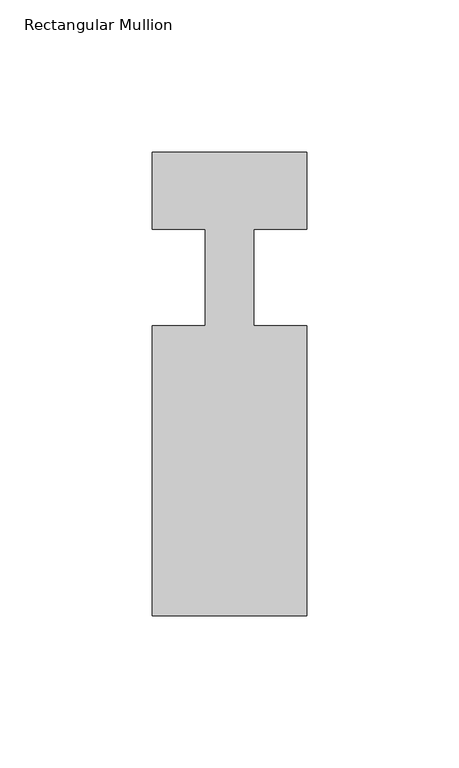
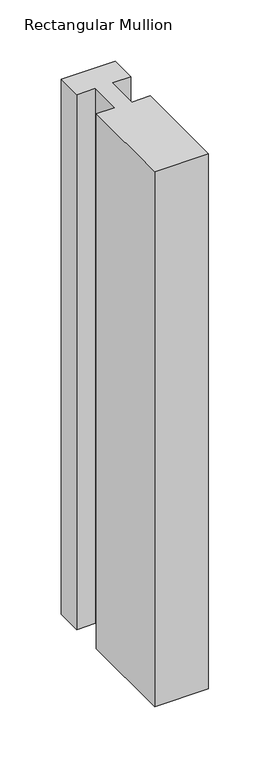
"""IFC4 building model written with IfcOpenShell, lengths in millimetres: member geometry, Rectangular Mullion."""

from ifc_helpers import new_model, si_unit, frame, origin, place, context, project, spatial, polyline, outline, extrude, source, transform, mapped, element, save


def rectangular_mullion_da2c84ec(model_context):
    return source(origin(), model_context, "Body", "SweptSolid", [
        extrude(outline(polyline([(25.4, -152.4), (-25.4, -152.4), (-25.4, -57.15), (-7.9502, -57.15), (-7.9502, -25.4), (-25.4, -25.4), (-25.4, 0.0), (25.4, 0.0), (25.4, -25.4), (7.9502, -25.4), (7.9502, -57.15), (25.4, -57.15), (25.4, -152.4)])), frame((0.0, 0.0, -533.4), z_axis=(0.0, 0.0, 1.0), x_axis=(1.0, 0.0, 0.0)), (0.0, 0.0, 1.0), 533.4),
    ])


if __name__ == "__main__":
    model = new_model("IFC4")
    model_context = context("Model", 3, world=origin())
    ifc_project = project(units=[si_unit("LENGTHUNIT", "METRE", prefix="MILLI")], contexts=[model_context])
    site = spatial("IfcSite", under=ifc_project)
    building = spatial("IfcBuilding", under=site)
    placement = place(None, origin())
    rectangular_mullion_shape = rectangular_mullion_da2c84ec(model_context)
    element("IfcMember", 1, ObjectType="Rectangular Mullion", at=placement, inside=building, context=model_context, shape_type="MappedRepresentation", body=[
        mapped(rectangular_mullion_shape, transform((0.0, 0.0, 0.0), x_axis=(1.0, 0.0, 0.0), y_axis=(0.0, 1.0, 0.0), z_axis=(0.0, 0.0, 1.0))),
    ])
    save(model, "model.ifc")
